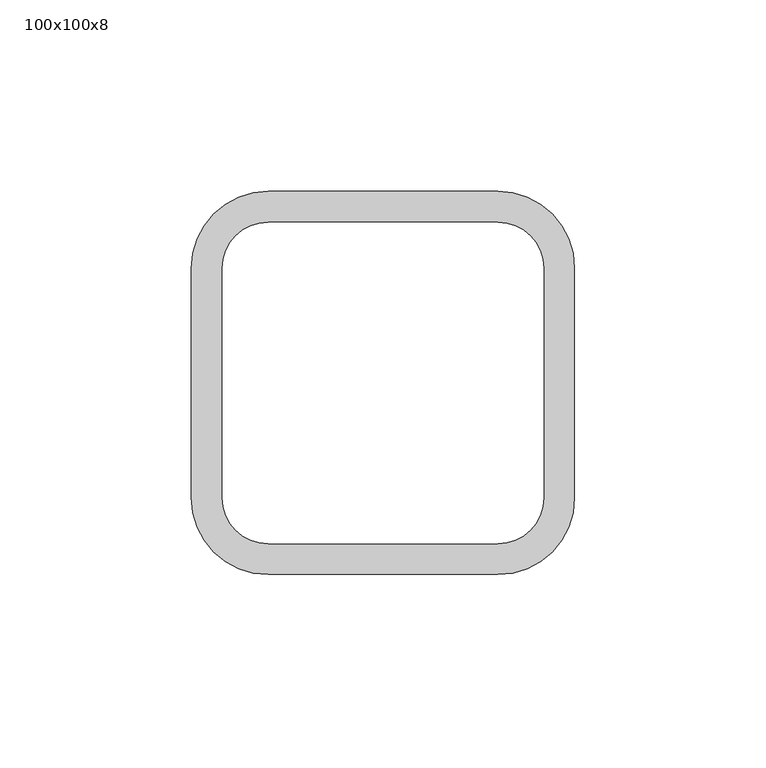
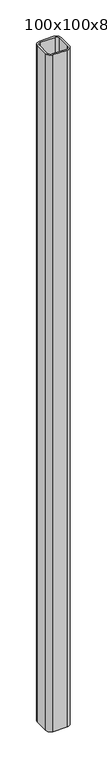
"""IFC4 building model written with IfcOpenShell, lengths in millimetres: column geometry, 100x100x8."""

from ifc_helpers import new_model, si_unit, point, frame_2d, origin, origin_with_axes, place, context, project, spatial, polyline, circle_curve, trimmed, segment, composite_curve, outline, extrude, source, transform, mapped, element, save


def column_100x100x8_b4bd9420(model_context):
    return source(origin(), model_context, "Body", "SweptSolid", [
        extrude(outline(composite_curve([segment(trimmed(circle_curve(frame_2d((30.0, 30.0)), 20.0), [point((30.0, 50.0))], [point((50.0, 30.0))], False, "CARTESIAN"), True, "CONTINUOUS"), segment(polyline([(50.0, 30.0), (50.0, -30.0)]), True, "CONTINUOUS"), segment(trimmed(circle_curve(frame_2d((30.0, -30.0)), 20.0), [point((50.0, -30.0))], [point((30.0, -50.0))], False, "CARTESIAN"), True, "CONTINUOUS"), segment(polyline([(30.0, -50.0), (-30.0, -50.0)]), True, "CONTINUOUS"), segment(trimmed(circle_curve(frame_2d((-30.0, -30.0)), 20.0), [point((-30.0, -50.0))], [point((-50.0, -30.0))], False, "CARTESIAN"), True, "CONTINUOUS"), segment(polyline([(-50.0, -30.0), (-50.0, 30.0)]), True, "CONTINUOUS"), segment(trimmed(circle_curve(frame_2d((-30.0, 30.0)), 20.0), [point((-50.0, 30.0))], [point((-30.0, 50.0))], False, "CARTESIAN"), True, "CONTINUOUS"), segment(polyline([(-30.0, 50.0), (30.0, 50.0)]), True, "CONTINUOUS")], self_intersect=False), holes=[composite_curve([segment(polyline([(30.0, 42.0), (-30.0, 42.0)]), True, "CONTINUOUS"), segment(trimmed(circle_curve(frame_2d((-30.0, 30.0)), 12.0), [point((-30.0, 42.0))], [point((-42.0, 30.0))], True, "CARTESIAN"), True, "CONTINUOUS"), segment(polyline([(-42.0, 30.0), (-42.0, -30.0)]), True, "CONTINUOUS"), segment(trimmed(circle_curve(frame_2d((-30.0, -30.0)), 12.0), [point((-42.0, -30.0))], [point((-30.0, -42.0))], True, "CARTESIAN"), True, "CONTINUOUS"), segment(polyline([(-30.0, -42.0), (30.0, -42.0)]), True, "CONTINUOUS"), segment(trimmed(circle_curve(frame_2d((30.0, -30.0)), 12.0), [point((30.0, -42.0))], [point((42.0, -30.0))], True, "CARTESIAN"), True, "CONTINUOUS"), segment(polyline([(42.0, -30.0), (42.0, 30.0)]), True, "CONTINUOUS"), segment(trimmed(circle_curve(frame_2d((30.0, 30.0)), 12.0), [point((42.0, 30.0))], [point((30.0, 42.0))], True, "CARTESIAN"), True, "CONTINUOUS")], self_intersect=False)]), origin_with_axes(), (0.0, 0.0, 1.0), 3000.0),
    ])


if __name__ == "__main__":
    model = new_model("IFC4")
    model_context = context("Model", 3, world=origin())
    ifc_project = project(units=[si_unit("LENGTHUNIT", "METRE", prefix="MILLI")], contexts=[model_context])
    site = spatial("IfcSite", under=ifc_project)
    building = spatial("IfcBuilding", under=site)
    placement = place(None, origin())
    column_100x100x8_shape = column_100x100x8_b4bd9420(model_context)
    element("IfcColumn", 1, ObjectType="100x100x8", at=placement, inside=building, context=model_context, shape_type="MappedRepresentation", body=[
        mapped(column_100x100x8_shape, transform((0.0, 0.0, 0.0), x_axis=(1.0, 0.0, 0.0), y_axis=(0.0, 1.0, 0.0), z_axis=(0.0, 0.0, 1.0))),
    ])
    save(model, "model.ifc")
